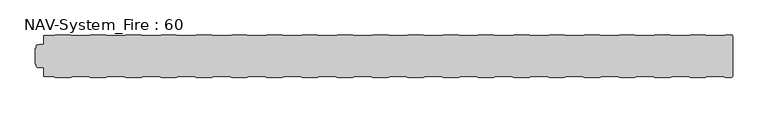
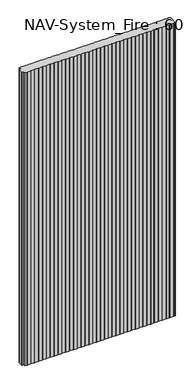
"""IFC4 building model written with IfcOpenShell, lengths in millimetres: plate geometry, NAV-System_Fire : 60."""

from ifc_helpers import new_model, si_unit, frame, origin, place, context, project, spatial, circle_curve, source, transform, mapped, element, save
from ifc_brep_helpers import plane_surface, cylinder_surface, advanced_brep


def nav_system_fire_60_26483173(model_context):
    return source(origin(), model_context, "Body", "AdvancedBrep", [
        advanced_brep(
        [(489.3798221, -0.8, 2000.0), (486.3798221, -1.8, 2000.0), (464.1201779, -1.8, 2000.0), (461.1201779, -0.8, 2000.0), (439.3798221, -0.8, 2000.0), (436.3798221, -1.8, 2000.0), (414.1201779, -1.8, 2000.0), (411.1201779, -0.8, 2000.0), (389.3798221, -0.8, 2000.0), (386.3798221, -1.8, 2000.0), (364.1201779, -1.8, 2000.0), (361.1201779, -0.8, 2000.0), (339.3798221, -0.8, 2000.0), (336.3798221, -1.8, 2000.0), (314.1201779, -1.8, 2000.0), (311.1201779, -0.8, 2000.0), (289.3798221, -0.8, 2000.0), (286.3798221, -1.8, 2000.0), (264.1201779, -1.8, 2000.0), (261.1201779, -0.8, 2000.0), (239.3798221, -0.8, 2000.0), (236.3798221, -1.8, 2000.0), (214.1201779, -1.8, 2000.0), (211.1201779, -0.8, 2000.0), (189.3798221, -0.8, 2000.0), (186.3798221, -1.8, 2000.0), (164.1201779, -1.8, 2000.0), (161.1201779, -0.8, 2000.0), (139.3798221, -0.8, 2000.0), (136.3798221, -1.8, 2000.0), (114.1201779, -1.8, 2000.0), (111.1201779, -0.8, 2000.0), (89.3798221, -0.8, 2000.0), (86.3798221, -1.8, 2000.0), (64.1201779, -1.8, 2000.0), (61.1201779, -0.8, 2000.0), (39.3798221, -0.8, 2000.0), (36.3798221, -1.8, 2000.0), (14.1201779, -1.8, 2000.0), (11.1201779, -0.8, 2000.0), (-10.6201779, -0.8, 2000.0), (-13.6201779, -1.8, 2000.0), (-35.8798221, -1.8, 2000.0), (-38.8798221, -0.8, 2000.0), (-60.6201779, -0.8, 2000.0), (-63.6201779, -1.8, 2000.0), (-85.8798221, -1.8, 2000.0), (-88.8798221, -0.8, 2000.0), (-110.6201779, -0.8, 2000.0), (-113.6201779, -1.8, 2000.0), (-135.8798221, -1.8, 2000.0), (-138.8798221, -0.8, 2000.0), (-160.6201779, -0.8, 2000.0), (-163.6201779, -1.8, 2000.0), (-185.8798221, -1.8, 2000.0), (-188.8798221, -0.8, 2000.0), (-210.6201779, -0.8, 2000.0), (-213.6201779, -1.8, 2000.0), (-235.8798221, -1.8, 2000.0), (-238.8798221, -0.8, 2000.0), (-260.6201779, -0.8, 2000.0), (-263.6201779, -1.8, 2000.0), (-285.8798221, -1.8, 2000.0), (-288.8798221, -0.8, 2000.0), (-310.6201779, -0.8, 2000.0), (-313.6201779, -1.8, 2000.0), (-335.8798221, -1.8, 2000.0), (-338.8798221, -0.8, 2000.0), (-360.6201779, -0.8, 2000.0), (-363.6201779, -1.8, 2000.0), (-385.8798221, -1.8, 2000.0), (-388.8798221, -0.8, 2000.0), (-410.6201779, -0.8, 2000.0), (-413.6201779, -1.8, 2000.0), (-435.8798221, -1.8, 2000.0), (-438.8798221, -0.8, 2000.0), (-460.6201779, -0.8, 2000.0), (-463.6201779, -1.8, 2000.0), (-476.9102086, -1.8, 2000.0), (-476.9102086, -14.4343223, 2000.0), (-483.4274784, -14.4343223, 2000.0), (-485.8625665, -14.8636942, 2000.0), (-487.3500004, -16.636349, 2000.0), (-487.3500004, -19.9487816, 2000.0), (-488.9002227, -19.9487816, 2000.0), (-488.9002227, -41.6487997, 2000.0), (-487.3500014, -41.6487997, 2000.0), (-487.3500014, -44.963651, 2000.0), (-485.8625665, -46.7363054, 2000.0), (-483.4274762, -47.1656777, 2000.0), (-476.9102086, -47.1656777, 2000.0), (-476.9102086, -59.8, 2000.0), (-463.6201779, -59.8, 2000.0), (-460.6201779, -60.8, 2000.0), (-438.8798221, -60.8, 2000.0), (-435.8798221, -59.8, 2000.0), (-413.6201779, -59.8, 2000.0), (-410.6201779, -60.8, 2000.0), (-388.8798221, -60.8, 2000.0), (-385.8798221, -59.8, 2000.0), (-363.6201779, -59.8, 2000.0), (-360.6201779, -60.8, 2000.0), (-338.8798221, -60.8, 2000.0), (-335.8798221, -59.8, 2000.0), (-313.6201779, -59.8, 2000.0), (-310.6201779, -60.8, 2000.0), (-288.8798221, -60.8, 2000.0), (-285.8798221, -59.8, 2000.0), (-263.6201779, -59.8, 2000.0), (-260.6201779, -60.8, 2000.0), (-238.8798221, -60.8, 2000.0), (-235.8798221, -59.8, 2000.0), (-213.6201779, -59.8, 2000.0), (-210.6201779, -60.8, 2000.0), (-188.8798221, -60.8, 2000.0), (-185.8798221, -59.8, 2000.0), (-163.6201779, -59.8, 2000.0), (-160.6201779, -60.8, 2000.0), (-138.8798221, -60.8, 2000.0), (-135.8798221, -59.8, 2000.0), (-113.6201779, -59.8, 2000.0), (-110.6201779, -60.8, 2000.0), (-88.8798221, -60.8, 2000.0), (-85.8798221, -59.8, 2000.0), (-63.6201779, -59.8, 2000.0), (-60.6201779, -60.8, 2000.0), (-38.8798221, -60.8, 2000.0), (-35.8798221, -59.8, 2000.0), (-13.6201779, -59.8, 2000.0), (-10.6201779, -60.8, 2000.0), (11.1201779, -60.8, 2000.0), (14.1201779, -59.8, 2000.0), (36.3798221, -59.8, 2000.0), (39.3798221, -60.8, 2000.0), (61.1201779, -60.8, 2000.0), (64.1201779, -59.8, 2000.0), (86.3798221, -59.8, 2000.0), (89.3798221, -60.8, 2000.0), (111.1201779, -60.8, 2000.0), (114.1201779, -59.8, 2000.0), (136.3798221, -59.8, 2000.0), (139.3798221, -60.8, 2000.0), (161.1201779, -60.8, 2000.0), (164.1201779, -59.8, 2000.0), (186.3798221, -59.8, 2000.0), (189.3798221, -60.8, 2000.0), (211.1201779, -60.8, 2000.0), (214.1201779, -59.8, 2000.0), (236.3798221, -59.8, 2000.0), (239.3798221, -60.8, 2000.0), (261.1201779, -60.8, 2000.0), (264.1201779, -59.8, 2000.0), (286.3798221, -59.8, 2000.0), (289.3798221, -60.8, 2000.0), (311.1201779, -60.8, 2000.0), (314.1201779, -59.8, 2000.0), (336.3798221, -59.8, 2000.0), (339.3798221, -60.8, 2000.0), (361.1201779, -60.8, 2000.0), (364.1201779, -59.8, 2000.0), (386.3798221, -59.8, 2000.0), (389.3798221, -60.8, 2000.0), (411.1201779, -60.8, 2000.0), (414.1201779, -59.8, 2000.0), (436.3798221, -59.8, 2000.0), (439.3798221, -60.8, 2000.0), (461.1201779, -60.8, 2000.0), (464.1201779, -59.8, 2000.0), (486.3798221, -59.8, 2000.0), (489.3798221, -60.8, 2000.0), (498.2500017, -60.8, 2000.0), (499.4471561, -59.6825886, 2000.0), (499.4471561, -55.3999876, 2000.0), (499.75, -55.3999876, 2000.0), (499.75, -6.2000131, 2000.0), (499.4471561, -6.2000131, 2000.0), (499.4471561, -1.9174088, 2000.0), (498.2500017, -0.8, 2000.0), (489.3798221, -0.8, 0.0), (498.2500017, -0.8, 0.0), (499.4471561, -1.9174088, 0.0), (499.4471561, -6.2000131, 0.0), (499.75, -6.2000131, 0.0), (499.75, -55.3999876, 0.0), (499.4471561, -55.3999876, 0.0), (499.4471561, -59.6825886, 0.0), (498.2500017, -60.8, 0.0), (489.3798221, -60.8, 0.0), (486.3798221, -59.8, 0.0), (464.1201779, -59.8, 0.0), (461.1201779, -60.8, 0.0), (439.3798221, -60.8, 0.0), (436.3798221, -59.8, 0.0), (414.1201779, -59.8, 0.0), (411.1201779, -60.8, 0.0), (389.3798221, -60.8, 0.0), (386.3798221, -59.8, 0.0), (364.1201779, -59.8, 0.0), (361.1201779, -60.8, 0.0), (339.3798221, -60.8, 0.0), (336.3798221, -59.8, 0.0), (314.1201779, -59.8, 0.0), (311.1201779, -60.8, 0.0), (289.3798221, -60.8, 0.0), (286.3798221, -59.8, 0.0), (264.1201779, -59.8, 0.0), (261.1201779, -60.8, 0.0), (239.3798221, -60.8, 0.0), (236.3798221, -59.8, 0.0), (214.1201779, -59.8, 0.0), (211.1201779, -60.8, 0.0), (189.3798221, -60.8, 0.0), (186.3798221, -59.8, 0.0), (164.1201779, -59.8, 0.0), (161.1201779, -60.8, 0.0), (139.3798221, -60.8, 0.0), (136.3798221, -59.8, 0.0), (114.1201779, -59.8, 0.0), (111.1201779, -60.8, 0.0), (89.3798221, -60.8, 0.0), (86.3798221, -59.8, 0.0), (64.1201779, -59.8, 0.0), (61.1201779, -60.8, 0.0), (39.3798221, -60.8, 0.0), (36.3798221, -59.8, 0.0), (14.1201779, -59.8, 0.0), (11.1201779, -60.8, 0.0), (-10.6201779, -60.8, 0.0), (-13.6201779, -59.8, 0.0), (-35.8798221, -59.8, 0.0), (-38.8798221, -60.8, 0.0), (-60.6201779, -60.8, 0.0), (-63.6201779, -59.8, 0.0), (-85.8798221, -59.8, 0.0), (-88.8798221, -60.8, 0.0), (-110.6201779, -60.8, 0.0), (-113.6201779, -59.8, 0.0), (-135.8798221, -59.8, 0.0), (-138.8798221, -60.8, 0.0), (-160.6201779, -60.8, 0.0), (-163.6201779, -59.8, 0.0), (-185.8798221, -59.8, 0.0), (-188.8798221, -60.8, 0.0), (-210.6201779, -60.8, 0.0), (-213.6201779, -59.8, 0.0), (-235.8798221, -59.8, 0.0), (-238.8798221, -60.8, 0.0), (-260.6201779, -60.8, 0.0), (-263.6201779, -59.8, 0.0), (-285.8798221, -59.8, 0.0), (-288.8798221, -60.8, 0.0), (-310.6201779, -60.8, 0.0), (-313.6201779, -59.8, 0.0), (-335.8798221, -59.8, 0.0), (-338.8798221, -60.8, 0.0), (-360.6201779, -60.8, 0.0), (-363.6201779, -59.8, 0.0), (-385.8798221, -59.8, 0.0), (-388.8798221, -60.8, 0.0), (-410.6201779, -60.8, 0.0), (-413.6201779, -59.8, 0.0), (-435.8798221, -59.8, 0.0), (-438.8798221, -60.8, 0.0), (-460.6201779, -60.8, 0.0), (-463.6201779, -59.8, 0.0), (-476.9102086, -59.8, 0.0), (-476.9102086, -47.1656777, 0.0), (-483.4274762, -47.1656777, 0.0), (-485.8625665, -46.7363054, 0.0), (-487.3500004, -44.963651, 0.0), (-487.3500014, -41.6487997, 0.0), (-488.9002227, -41.6487997, 0.0), (-488.9002227, -19.9487816, 0.0), (-487.3500004, -19.9487816, 0.0), (-487.3500004, -16.636349, 0.0), (-485.8625665, -14.8636942, 0.0), (-483.4274784, -14.4343223, 0.0), (-476.9102086, -14.4343223, 0.0), (-476.9102086, -1.8, 0.0), (-463.6201779, -1.8, 0.0), (-460.6201779, -0.8, 0.0), (-438.8798221, -0.8, 0.0), (-435.8798221, -1.8, 0.0), (-413.6201779, -1.8, 0.0), (-410.6201779, -0.8, 0.0), (-388.8798221, -0.8, 0.0), (-385.8798221, -1.8, 0.0), (-363.6201779, -1.8, 0.0), (-360.6201779, -0.8, 0.0), (-338.8798221, -0.8, 0.0), (-335.8798221, -1.8, 0.0), (-313.6201779, -1.8, 0.0), (-310.6201779, -0.8, 0.0), (-288.8798221, -0.8, 0.0), (-285.8798221, -1.8, 0.0), (-263.6201779, -1.8, 0.0), (-260.6201779, -0.8, 0.0), (-238.8798221, -0.8, 0.0), (-235.8798221, -1.8, 0.0), (-213.6201779, -1.8, 0.0), (-210.6201779, -0.8, 0.0), (-188.8798221, -0.8, 0.0), (-185.8798221, -1.8, 0.0), (-163.6201779, -1.8, 0.0), (-160.6201779, -0.8, 0.0), (-138.8798221, -0.8, 0.0), (-135.8798221, -1.8, 0.0), (-113.6201779, -1.8, 0.0), (-110.6201779, -0.8, 0.0), (-88.8798221, -0.8, 0.0), (-85.8798221, -1.8, 0.0), (-63.6201779, -1.8, 0.0), (-60.6201779, -0.8, 0.0), (-38.8798221, -0.8, 0.0), (-35.8798221, -1.8, 0.0), (-13.6201779, -1.8, 0.0), (-10.6201779, -0.8, 0.0), (11.1201779, -0.8, 0.0), (14.1201779, -1.8, 0.0), (36.3798221, -1.8, 0.0), (39.3798221, -0.8, 0.0), (61.1201779, -0.8, 0.0), (64.1201779, -1.8, 0.0), (86.3798221, -1.8, 0.0), (89.3798221, -0.8, 0.0), (111.1201779, -0.8, 0.0), (114.1201779, -1.8, 0.0), (136.3798221, -1.8, 0.0), (139.3798221, -0.8, 0.0), (161.1201779, -0.8, 0.0), (164.1201779, -1.8, 0.0), (186.3798221, -1.8, 0.0), (189.3798221, -0.8, 0.0), (211.1201779, -0.8, 0.0), (214.1201779, -1.8, 0.0), (236.3798221, -1.8, 0.0), (239.3798221, -0.8, 0.0), (261.1201779, -0.8, 0.0), (264.1201779, -1.8, 0.0), (286.3798221, -1.8, 0.0), (289.3798221, -0.8, 0.0), (311.1201779, -0.8, 0.0), (314.1201779, -1.8, 0.0), (336.3798221, -1.8, 0.0), (339.3798221, -0.8, 0.0), (361.1201779, -0.8, 0.0), (364.1201779, -1.8, 0.0), (386.3798221, -1.8, 0.0), (389.3798221, -0.8, 0.0), (411.1201779, -0.8, 0.0), (414.1201779, -1.8, 0.0), (436.3798221, -1.8, 0.0), (439.3798221, -0.8, 0.0), (461.1201779, -0.8, 0.0), (464.1201779, -1.8, 0.0), (486.3798221, -1.8, 0.0)],
        [
            (0, 1),
            (1, 2),
            (2, 3),
            (3, 4),
            (4, 5),
            (5, 6),
            (6, 7),
            (7, 8),
            (8, 9),
            (9, 10),
            (10, 11),
            (11, 12),
            (12, 13),
            (13, 14),
            (14, 15),
            (15, 16),
            (16, 17),
            (17, 18),
            (18, 19),
            (19, 20),
            (20, 21),
            (21, 22),
            (22, 23),
            (23, 24),
            (24, 25),
            (25, 26),
            (26, 27),
            (27, 28),
            (28, 29),
            (29, 30),
            (30, 31),
            (31, 32),
            (32, 33),
            (33, 34),
            (34, 35),
            (35, 36),
            (36, 37),
            (37, 38),
            (38, 39),
            (39, 40),
            (40, 41),
            (41, 42),
            (42, 43),
            (43, 44),
            (44, 45),
            (45, 46),
            (46, 47),
            (47, 48),
            (48, 49),
            (49, 50),
            (50, 51),
            (51, 52),
            (52, 53),
            (53, 54),
            (54, 55),
            (55, 56),
            (56, 57),
            (57, 58),
            (58, 59),
            (59, 60),
            (60, 61),
            (61, 62),
            (62, 63),
            (63, 64),
            (64, 65),
            (65, 66),
            (66, 67),
            (67, 68),
            (68, 69),
            (69, 70),
            (70, 71),
            (71, 72),
            (72, 73),
            (73, 74),
            (74, 75),
            (75, 76),
            (76, 77),
            (77, 78),
            (78, 79),
            (79, 80),
            (80, 81),
            (81, 82, circle_curve(frame((-485.5499995, -16.636349, 2000.0), z_axis=(0.0, 0.0, 1.0), x_axis=(1.0, 0.0, 0.0)), 1.8000009)),
            (82, 83),
            (83, 84),
            (84, 85),
            (85, 86),
            (86, 87),
            (87, 88, circle_curve(frame((-485.5499995, -44.9636506, 2000.0), z_axis=(0.0, 0.0, 1.0), x_axis=(1.0, 0.0, 0.0)), 1.8000009)),
            (88, 89),
            (89, 90),
            (90, 91),
            (91, 92),
            (92, 93),
            (93, 94),
            (94, 95),
            (95, 96),
            (96, 97),
            (97, 98),
            (98, 99),
            (99, 100),
            (100, 101),
            (101, 102),
            (102, 103),
            (103, 104),
            (104, 105),
            (105, 106),
            (106, 107),
            (107, 108),
            (108, 109),
            (109, 110),
            (110, 111),
            (111, 112),
            (112, 113),
            (113, 114),
            (114, 115),
            (115, 116),
            (116, 117),
            (117, 118),
            (118, 119),
            (119, 120),
            (120, 121),
            (121, 122),
            (122, 123),
            (123, 124),
            (124, 125),
            (125, 126),
            (126, 127),
            (127, 128),
            (128, 129),
            (129, 130),
            (130, 131),
            (131, 132),
            (132, 133),
            (133, 134),
            (134, 135),
            (135, 136),
            (136, 137),
            (137, 138),
            (138, 139),
            (139, 140),
            (140, 141),
            (141, 142),
            (142, 143),
            (143, 144),
            (144, 145),
            (145, 146),
            (146, 147),
            (147, 148),
            (148, 149),
            (149, 150),
            (150, 151),
            (151, 152),
            (152, 153),
            (153, 154),
            (154, 155),
            (155, 156),
            (156, 157),
            (157, 158),
            (158, 159),
            (159, 160),
            (160, 161),
            (161, 162),
            (162, 163),
            (163, 164),
            (164, 165),
            (165, 166),
            (166, 167),
            (167, 168),
            (168, 169),
            (169, 170),
            (170, 171, circle_curve(frame((498.2500017, -59.6000001, 2000.0), z_axis=(0.0, 0.0, 1.0), x_axis=(1.0, 0.0, 0.0)), 1.1999999)),
            (171, 172),
            (172, 173),
            (173, 174),
            (174, 175),
            (175, 176),
            (176, 177, circle_curve(frame((498.2500017, -2.0, 2000.0), z_axis=(0.0, 0.0, 1.0), x_axis=(1.0, 0.0, 0.0)), 1.2)),
            (177, 0),
            (178, 179),
            (179, 180, circle_curve(frame((498.2500017, -2.0, 0.0), z_axis=(0.0, 0.0, -1.0), x_axis=(1.0, 0.0, 0.0)), 1.2)),
            (180, 181),
            (181, 182),
            (182, 183),
            (183, 184),
            (184, 185),
            (185, 186, circle_curve(frame((498.2500017, -59.6000001, 0.0), z_axis=(0.0, 0.0, -1.0), x_axis=(1.0, 0.0, 0.0)), 1.1999999)),
            (186, 187),
            (187, 188),
            (188, 189),
            (189, 190),
            (190, 191),
            (191, 192),
            (192, 193),
            (193, 194),
            (194, 195),
            (195, 196),
            (196, 197),
            (197, 198),
            (198, 199),
            (199, 200),
            (200, 201),
            (201, 202),
            (202, 203),
            (203, 204),
            (204, 205),
            (205, 206),
            (206, 207),
            (207, 208),
            (208, 209),
            (209, 210),
            (210, 211),
            (211, 212),
            (212, 213),
            (213, 214),
            (214, 215),
            (215, 216),
            (216, 217),
            (217, 218),
            (218, 219),
            (219, 220),
            (220, 221),
            (221, 222),
            (222, 223),
            (223, 224),
            (224, 225),
            (225, 226),
            (226, 227),
            (227, 228),
            (228, 229),
            (229, 230),
            (230, 231),
            (231, 232),
            (232, 233),
            (233, 234),
            (234, 235),
            (235, 236),
            (236, 237),
            (237, 238),
            (238, 239),
            (239, 240),
            (240, 241),
            (241, 242),
            (242, 243),
            (243, 244),
            (244, 245),
            (245, 246),
            (246, 247),
            (247, 248),
            (248, 249),
            (249, 250),
            (250, 251),
            (251, 252),
            (252, 253),
            (253, 254),
            (254, 255),
            (255, 256),
            (256, 257),
            (257, 258),
            (258, 259),
            (259, 260),
            (260, 261),
            (261, 262),
            (262, 263),
            (263, 264),
            (264, 265),
            (265, 266),
            (266, 267),
            (267, 268),
            (268, 269, circle_curve(frame((-485.5499995, -44.9636506, 0.0), z_axis=(0.0, 0.0, -1.0), x_axis=(1.0, 0.0, 0.0)), 1.8000009)),
            (269, 270),
            (270, 271),
            (271, 272),
            (272, 273),
            (273, 274),
            (274, 275, circle_curve(frame((-485.5499995, -16.636349, 0.0), z_axis=(0.0, 0.0, -1.0), x_axis=(1.0, 0.0, 0.0)), 1.8000009)),
            (275, 276),
            (276, 277),
            (277, 278),
            (278, 279),
            (279, 280),
            (280, 281),
            (281, 282),
            (282, 283),
            (283, 284),
            (284, 285),
            (285, 286),
            (286, 287),
            (287, 288),
            (288, 289),
            (289, 290),
            (290, 291),
            (291, 292),
            (292, 293),
            (293, 294),
            (294, 295),
            (295, 296),
            (296, 297),
            (297, 298),
            (298, 299),
            (299, 300),
            (300, 301),
            (301, 302),
            (302, 303),
            (303, 304),
            (304, 305),
            (305, 306),
            (306, 307),
            (307, 308),
            (308, 309),
            (309, 310),
            (310, 311),
            (311, 312),
            (312, 313),
            (313, 314),
            (314, 315),
            (315, 316),
            (316, 317),
            (317, 318),
            (318, 319),
            (319, 320),
            (320, 321),
            (321, 322),
            (322, 323),
            (323, 324),
            (324, 325),
            (325, 326),
            (326, 327),
            (327, 328),
            (328, 329),
            (329, 330),
            (330, 331),
            (331, 332),
            (332, 333),
            (333, 334),
            (334, 335),
            (335, 336),
            (336, 337),
            (337, 338),
            (338, 339),
            (339, 340),
            (340, 341),
            (341, 342),
            (342, 343),
            (343, 344),
            (344, 345),
            (345, 346),
            (346, 347),
            (347, 348),
            (348, 349),
            (349, 350),
            (350, 351),
            (351, 352),
            (352, 353),
            (353, 354),
            (354, 355),
            (355, 178),
            (177, 179),
            (178, 0),
            (355, 1),
            (354, 2),
            (353, 3),
            (352, 4),
            (351, 5),
            (350, 6),
            (349, 7),
            (348, 8),
            (347, 9),
            (346, 10),
            (345, 11),
            (344, 12),
            (343, 13),
            (342, 14),
            (341, 15),
            (340, 16),
            (339, 17),
            (338, 18),
            (337, 19),
            (336, 20),
            (335, 21),
            (334, 22),
            (333, 23),
            (332, 24),
            (331, 25),
            (330, 26),
            (329, 27),
            (328, 28),
            (327, 29),
            (326, 30),
            (325, 31),
            (324, 32),
            (323, 33),
            (322, 34),
            (321, 35),
            (320, 36),
            (319, 37),
            (318, 38),
            (317, 39),
            (316, 40),
            (315, 41),
            (314, 42),
            (313, 43),
            (312, 44),
            (311, 45),
            (310, 46),
            (309, 47),
            (308, 48),
            (307, 49),
            (306, 50),
            (305, 51),
            (304, 52),
            (303, 53),
            (302, 54),
            (301, 55),
            (300, 56),
            (299, 57),
            (298, 58),
            (297, 59),
            (296, 60),
            (295, 61),
            (294, 62),
            (293, 63),
            (292, 64),
            (291, 65),
            (290, 66),
            (289, 67),
            (288, 68),
            (287, 69),
            (286, 70),
            (285, 71),
            (284, 72),
            (283, 73),
            (282, 74),
            (281, 75),
            (280, 76),
            (279, 77),
            (278, 78),
            (91, 265),
            (264, 92),
            (263, 93),
            (262, 94),
            (261, 95),
            (260, 96),
            (259, 97),
            (258, 98),
            (257, 99),
            (256, 100),
            (255, 101),
            (254, 102),
            (253, 103),
            (252, 104),
            (251, 105),
            (250, 106),
            (249, 107),
            (248, 108),
            (247, 109),
            (246, 110),
            (245, 111),
            (244, 112),
            (243, 113),
            (242, 114),
            (241, 115),
            (240, 116),
            (239, 117),
            (238, 118),
            (237, 119),
            (236, 120),
            (235, 121),
            (234, 122),
            (233, 123),
            (232, 124),
            (231, 125),
            (230, 126),
            (229, 127),
            (228, 128),
            (227, 129),
            (226, 130),
            (225, 131),
            (224, 132),
            (223, 133),
            (222, 134),
            (221, 135),
            (220, 136),
            (219, 137),
            (218, 138),
            (217, 139),
            (216, 140),
            (215, 141),
            (214, 142),
            (213, 143),
            (212, 144),
            (211, 145),
            (210, 146),
            (209, 147),
            (208, 148),
            (207, 149),
            (206, 150),
            (205, 151),
            (204, 152),
            (203, 153),
            (202, 154),
            (201, 155),
            (200, 156),
            (199, 157),
            (198, 158),
            (197, 159),
            (196, 160),
            (195, 161),
            (194, 162),
            (193, 163),
            (192, 164),
            (191, 165),
            (190, 166),
            (189, 167),
            (188, 168),
            (187, 169),
            (186, 170),
            (277, 79),
            (276, 80),
            (82, 274),
            (273, 83),
            (272, 84),
            (271, 85),
            (89, 267),
            (266, 90),
            (185, 171),
            (184, 172),
            (183, 173),
            (181, 175),
            (174, 182),
            (180, 176),
            (275, 81),
            (270, 86),
            (269, 87),
            (268, 88),
        ],
        [
            plane_surface(frame((-499.75, 0.0, 2000.0), z_axis=(0.0, 0.0, 1.0), x_axis=(0.0, -1.0, 0.0))),
            plane_surface(frame((-499.75, 0.0, 0.0), z_axis=(0.0, 0.0, -1.0), x_axis=(0.0, -1.0, 0.0))),
            plane_surface(frame((498.2500017, -0.8, 2000.0), z_axis=(0.0, 1.0, 0.0), x_axis=(0.0, 0.0, -1.0))),
            plane_surface(frame((489.3798221, -0.8, 2000.0), z_axis=(-0.31622776601669594, 0.9486832980505612, 0.0), x_axis=(0.0, 0.0, -1.0))),
            plane_surface(frame((486.3798221, -1.8, 2000.0), z_axis=(0.0, 1.0, 0.0), x_axis=(0.0, 0.0, -1.0))),
            plane_surface(frame((464.1201779, -1.8, 2000.0), z_axis=(0.3162277660168045, 0.948683298050525, 0.0), x_axis=(0.0, 0.0, -1.0))),
            plane_surface(frame((461.1201779, -0.8, 2000.0), z_axis=(0.0, 1.0, 0.0), x_axis=(0.0, 0.0, -1.0))),
            plane_surface(frame((439.3798221, -0.8, 2000.0), z_axis=(-0.3162277660167413, 0.9486832980505461, 0.0), x_axis=(0.0, 0.0, -1.0))),
            plane_surface(frame((436.3798221, -1.8, 2000.0), z_axis=(0.0, 1.0, 0.0), x_axis=(0.0, 0.0, -1.0))),
            plane_surface(frame((414.1201779, -1.8, 2000.0), z_axis=(0.31622776601675356, 0.948683298050542, 0.0), x_axis=(0.0, 0.0, -1.0))),
            plane_surface(frame((411.1201779, -0.8, 2000.0), z_axis=(0.0, 1.0, 0.0), x_axis=(0.0, 0.0, -1.0))),
            plane_surface(frame((389.3798221, -0.8, 2000.0), z_axis=(-0.31622776601679226, 0.9486832980505291, 0.0), x_axis=(0.0, 0.0, -1.0))),
            plane_surface(frame((386.3798221, -1.8, 2000.0), z_axis=(0.0, 1.0, 0.0), x_axis=(0.0, 0.0, -1.0))),
            plane_surface(frame((364.1201779, -1.8, 2000.0), z_axis=(0.3162277660168045, 0.948683298050525, 0.0), x_axis=(0.0, 0.0, -1.0))),
            plane_surface(frame((361.1201779, -0.8, 2000.0), z_axis=(0.0, 1.0, 0.0), x_axis=(0.0, 0.0, -1.0))),
            plane_surface(frame((339.3798221, -0.8, 2000.0), z_axis=(-0.3162277660167413, 0.9486832980505461, 0.0), x_axis=(0.0, 0.0, -1.0))),
            plane_surface(frame((336.3798221, -1.8, 2000.0), z_axis=(0.0, 1.0, 0.0), x_axis=(0.0, 0.0, -1.0))),
            plane_surface(frame((314.1201779, -1.8, 2000.0), z_axis=(0.31622776601675356, 0.948683298050542, 0.0), x_axis=(0.0, 0.0, -1.0))),
            plane_surface(frame((311.1201779, -0.8, 2000.0), z_axis=(0.0, 1.0, 0.0), x_axis=(0.0, 0.0, -1.0))),
            plane_surface(frame((289.3798221, -0.8, 2000.0), z_axis=(-0.31622776601679226, 0.9486832980505291, 0.0), x_axis=(0.0, 0.0, -1.0))),
            plane_surface(frame((286.3798221, -1.8, 2000.0), z_axis=(0.0, 1.0, 0.0), x_axis=(0.0, 0.0, -1.0))),
            plane_surface(frame((264.1201779, -1.8, 2000.0), z_axis=(0.3162277660168045, 0.948683298050525, 0.0), x_axis=(0.0, 0.0, -1.0))),
            plane_surface(frame((261.1201779, -0.8, 2000.0), z_axis=(0.0, 1.0, 0.0), x_axis=(0.0, 0.0, -1.0))),
            plane_surface(frame((239.3798221, -0.8, 2000.0), z_axis=(-0.3162277660167413, 0.9486832980505461, 0.0), x_axis=(0.0, 0.0, -1.0))),
            plane_surface(frame((236.3798221, -1.8, 2000.0), z_axis=(0.0, 1.0, 0.0), x_axis=(0.0, 0.0, -1.0))),
            plane_surface(frame((214.1201779, -1.8, 2000.0), z_axis=(0.31622776601675356, 0.948683298050542, 0.0), x_axis=(0.0, 0.0, -1.0))),
            plane_surface(frame((211.1201779, -0.8, 2000.0), z_axis=(0.0, 1.0, 0.0), x_axis=(0.0, 0.0, -1.0))),
            plane_surface(frame((189.3798221, -0.8, 2000.0), z_axis=(-0.31622776601679226, 0.9486832980505291, 0.0), x_axis=(0.0, 0.0, -1.0))),
            plane_surface(frame((186.3798221, -1.8, 2000.0), z_axis=(0.0, 1.0, 0.0), x_axis=(0.0, 0.0, -1.0))),
            plane_surface(frame((164.1201779, -1.8, 2000.0), z_axis=(0.3162277660168045, 0.948683298050525, 0.0), x_axis=(0.0, 0.0, -1.0))),
            plane_surface(frame((161.1201779, -0.8, 2000.0), z_axis=(0.0, 1.0, 0.0), x_axis=(0.0, 0.0, -1.0))),
            plane_surface(frame((139.3798221, -0.8, 2000.0), z_axis=(-0.3162277660167413, 0.9486832980505461, 0.0), x_axis=(0.0, 0.0, -1.0))),
            plane_surface(frame((136.3798221, -1.8, 2000.0), z_axis=(0.0, 1.0, 0.0), x_axis=(0.0, 0.0, -1.0))),
            plane_surface(frame((114.1201779, -1.8, 2000.0), z_axis=(0.31622776601675356, 0.948683298050542, 0.0), x_axis=(0.0, 0.0, -1.0))),
            plane_surface(frame((111.1201779, -0.8, 2000.0), z_axis=(0.0, 1.0, 0.0), x_axis=(0.0, 0.0, -1.0))),
            plane_surface(frame((89.3798221, -0.8, 2000.0), z_axis=(-0.3162277660167413, 0.9486832980505461, 0.0), x_axis=(0.0, 0.0, -1.0))),
            plane_surface(frame((86.3798221, -1.8, 2000.0), z_axis=(0.0, 1.0, 0.0), x_axis=(0.0, 0.0, -1.0))),
            plane_surface(frame((64.1201779, -1.8, 2000.0), z_axis=(0.31622776601675356, 0.948683298050542, 0.0), x_axis=(0.0, 0.0, -1.0))),
            plane_surface(frame((61.1201779, -0.8, 2000.0), z_axis=(0.0, 1.0, 0.0), x_axis=(0.0, 0.0, -1.0))),
            plane_surface(frame((39.3798221, -0.8, 2000.0), z_axis=(-0.31622776601679226, 0.9486832980505291, 0.0), x_axis=(0.0, 0.0, -1.0))),
            plane_surface(frame((36.3798221, -1.8, 2000.0), z_axis=(0.0, 1.0, 0.0), x_axis=(0.0, 0.0, -1.0))),
            plane_surface(frame((14.1201779, -1.8, 2000.0), z_axis=(0.3162277660168045, 0.948683298050525, 0.0), x_axis=(0.0, 0.0, -1.0))),
            plane_surface(frame((11.1201779, -0.8, 2000.0), z_axis=(0.0, 1.0, 0.0), x_axis=(0.0, 0.0, -1.0))),
            plane_surface(frame((-10.6201779, -0.8, 2000.0), z_axis=(-0.3162277660167413, 0.9486832980505461, 0.0), x_axis=(0.0, 0.0, -1.0))),
            plane_surface(frame((-13.6201779, -1.8, 2000.0), z_axis=(0.0, 1.0, 0.0), x_axis=(0.0, 0.0, -1.0))),
            plane_surface(frame((-35.8798221, -1.8, 2000.0), z_axis=(0.31622776601675356, 0.948683298050542, 0.0), x_axis=(0.0, 0.0, -1.0))),
            plane_surface(frame((-38.8798221, -0.8, 2000.0), z_axis=(0.0, 1.0, 0.0), x_axis=(0.0, 0.0, -1.0))),
            plane_surface(frame((-60.6201779, -0.8, 2000.0), z_axis=(-0.31622776601679226, 0.9486832980505291, 0.0), x_axis=(0.0, 0.0, -1.0))),
            plane_surface(frame((-63.6201779, -1.8, 2000.0), z_axis=(0.0, 1.0, 0.0), x_axis=(0.0, 0.0, -1.0))),
            plane_surface(frame((-85.8798221, -1.8, 2000.0), z_axis=(0.3162277660168045, 0.948683298050525, 0.0), x_axis=(0.0, 0.0, -1.0))),
            plane_surface(frame((-88.8798221, -0.8, 2000.0), z_axis=(0.0, 1.0, 0.0), x_axis=(0.0, 0.0, -1.0))),
            plane_surface(frame((-110.6201779, -0.8, 2000.0), z_axis=(-0.3162277660167413, 0.9486832980505461, 0.0), x_axis=(0.0, 0.0, -1.0))),
            plane_surface(frame((-113.6201779, -1.8, 2000.0), z_axis=(0.0, 1.0, 0.0), x_axis=(0.0, 0.0, -1.0))),
            plane_surface(frame((-135.8798221, -1.8, 2000.0), z_axis=(0.31622776601675356, 0.948683298050542, 0.0), x_axis=(0.0, 0.0, -1.0))),
            plane_surface(frame((-138.8798221, -0.8, 2000.0), z_axis=(0.0, 1.0, 0.0), x_axis=(0.0, 0.0, -1.0))),
            plane_surface(frame((-160.6201779, -0.8, 2000.0), z_axis=(-0.31622776601679226, 0.9486832980505291, 0.0), x_axis=(0.0, 0.0, -1.0))),
            plane_surface(frame((-163.6201779, -1.8, 2000.0), z_axis=(0.0, 1.0, 0.0), x_axis=(0.0, 0.0, -1.0))),
            plane_surface(frame((-185.8798221, -1.8, 2000.0), z_axis=(0.3162277660168056, 0.9486832980505246, 0.0), x_axis=(0.0, 0.0, -1.0))),
            plane_surface(frame((-188.8798221, -0.8, 2000.0), z_axis=(0.0, 1.0, 0.0), x_axis=(0.0, 0.0, -1.0))),
            plane_surface(frame((-210.6201779, -0.8, 2000.0), z_axis=(-0.3162277660167413, 0.9486832980505461, 0.0), x_axis=(0.0, 0.0, -1.0))),
            plane_surface(frame((-213.6201779, -1.8, 2000.0), z_axis=(0.0, 1.0, 0.0), x_axis=(0.0, 0.0, -1.0))),
            plane_surface(frame((-235.8798221, -1.8, 2000.0), z_axis=(0.31622776601675356, 0.948683298050542, 0.0), x_axis=(0.0, 0.0, -1.0))),
            plane_surface(frame((-238.8798221, -0.8, 2000.0), z_axis=(0.0, 1.0, 0.0), x_axis=(0.0, 0.0, -1.0))),
            plane_surface(frame((-260.6201779, -0.8, 2000.0), z_axis=(-0.31622776601679226, 0.9486832980505291, 0.0), x_axis=(0.0, 0.0, -1.0))),
            plane_surface(frame((-263.6201779, -1.8, 2000.0), z_axis=(0.0, 1.0, 0.0), x_axis=(0.0, 0.0, -1.0))),
            plane_surface(frame((-285.8798221, -1.8, 2000.0), z_axis=(0.3162277660168045, 0.948683298050525, 0.0), x_axis=(0.0, 0.0, -1.0))),
            plane_surface(frame((-288.8798221, -0.8, 2000.0), z_axis=(0.0, 1.0, 0.0), x_axis=(0.0, 0.0, -1.0))),
            plane_surface(frame((-310.6201779, -0.8, 2000.0), z_axis=(-0.3162277660167413, 0.9486832980505461, 0.0), x_axis=(0.0, 0.0, -1.0))),
            plane_surface(frame((-313.6201779, -1.8, 2000.0), z_axis=(0.0, 1.0, 0.0), x_axis=(0.0, 0.0, -1.0))),
            plane_surface(frame((-335.8798221, -1.8, 2000.0), z_axis=(0.31622776601675356, 0.948683298050542, 0.0), x_axis=(0.0, 0.0, -1.0))),
            plane_surface(frame((-338.8798221, -0.8, 2000.0), z_axis=(0.0, 1.0, 0.0), x_axis=(0.0, 0.0, -1.0))),
            plane_surface(frame((-360.6201779, -0.8, 2000.0), z_axis=(-0.31622776601679226, 0.9486832980505291, 0.0), x_axis=(0.0, 0.0, -1.0))),
            plane_surface(frame((-363.6201779, -1.8, 2000.0), z_axis=(0.0, 1.0, 0.0), x_axis=(0.0, 0.0, -1.0))),
            plane_surface(frame((-385.8798221, -1.8, 2000.0), z_axis=(0.3162277660168045, 0.948683298050525, 0.0), x_axis=(0.0, 0.0, -1.0))),
            plane_surface(frame((-388.8798221, -0.8, 2000.0), z_axis=(0.0, 1.0, 0.0), x_axis=(0.0, 0.0, -1.0))),
            plane_surface(frame((-410.6201779, -0.8, 2000.0), z_axis=(-0.31622776601679226, 0.9486832980505291, 0.0), x_axis=(0.0, 0.0, -1.0))),
            plane_surface(frame((-413.6201779, -1.8, 2000.0), z_axis=(0.0, 1.0, 0.0), x_axis=(0.0, 0.0, -1.0))),
            plane_surface(frame((-435.8798221, -1.8, 2000.0), z_axis=(0.3162277660168045, 0.948683298050525, 0.0), x_axis=(0.0, 0.0, -1.0))),
            plane_surface(frame((-438.8798221, -0.8, 2000.0), z_axis=(0.0, 1.0, 0.0), x_axis=(0.0, 0.0, -1.0))),
            plane_surface(frame((-460.6201779, -0.8, 2000.0), z_axis=(-0.3162277660167413, 0.9486832980505461, 0.0), x_axis=(0.0, 0.0, -1.0))),
            plane_surface(frame((-463.6201779, -1.8, 2000.0), z_axis=(0.0, 1.0, 0.0), x_axis=(0.0, 0.0, -1.0))),
            plane_surface(frame((-476.9102086, -59.8, 2000.0), z_axis=(0.0, -1.0, 0.0), x_axis=(0.0, 0.0, -1.0))),
            plane_surface(frame((-463.6201779, -59.8, 2000.0), z_axis=(-0.31622776601680425, -0.9486832980505251, 0.0), x_axis=(0.0, 0.0, -1.0))),
            plane_surface(frame((-460.6201779, -60.8, 2000.0), z_axis=(0.0, -1.0, 0.0), x_axis=(0.0, 0.0, -1.0))),
            plane_surface(frame((-438.8798221, -60.8, 2000.0), z_axis=(0.3162277660166068, -0.9486832980505908, 0.0), x_axis=(0.0, 0.0, -1.0))),
            plane_surface(frame((-435.8798221, -59.8, 2000.0), z_axis=(0.0, -1.0, 0.0), x_axis=(0.0, 0.0, -1.0))),
            plane_surface(frame((-413.6201779, -59.8, 2000.0), z_axis=(-0.3162277660169808, -0.9486832980504663, 0.0), x_axis=(0.0, 0.0, -1.0))),
            plane_surface(frame((-410.6201779, -60.8, 2000.0), z_axis=(0.0, -1.0, 0.0), x_axis=(0.0, 0.0, -1.0))),
            plane_surface(frame((-388.8798221, -60.8, 2000.0), z_axis=(0.3162277660165346, -0.9486832980506149, 0.0), x_axis=(0.0, 0.0, -1.0))),
            plane_surface(frame((-385.8798221, -59.8, 2000.0), z_axis=(0.0, -1.0, 0.0), x_axis=(0.0, 0.0, -1.0))),
            plane_surface(frame((-363.6201779, -59.8, 2000.0), z_axis=(-0.3162277660169872, -0.9486832980504641, 0.0), x_axis=(0.0, 0.0, -1.0))),
            plane_surface(frame((-360.6201779, -60.8, 2000.0), z_axis=(0.0, -1.0, 0.0), x_axis=(0.0, 0.0, -1.0))),
            plane_surface(frame((-338.8798221, -60.8, 2000.0), z_axis=(0.31622776601646235, -0.948683298050639, 0.0), x_axis=(0.0, 0.0, -1.0))),
            plane_surface(frame((-335.8798221, -59.8, 2000.0), z_axis=(0.0, -1.0, 0.0), x_axis=(0.0, 0.0, -1.0))),
            plane_surface(frame((-313.6201779, -59.8, 2000.0), z_axis=(-0.316227766016862, -0.9486832980505058, 0.0), x_axis=(0.0, 0.0, -1.0))),
            plane_surface(frame((-310.6201779, -60.8, 2000.0), z_axis=(0.0, -1.0, 0.0), x_axis=(0.0, 0.0, -1.0))),
            plane_surface(frame((-288.8798221, -60.8, 2000.0), z_axis=(0.3162277660164126, -0.9486832980506557, 0.0), x_axis=(0.0, 0.0, -1.0))),
            plane_surface(frame((-285.8798221, -59.8, 2000.0), z_axis=(0.0, -1.0, 0.0), x_axis=(0.0, 0.0, -1.0))),
            plane_surface(frame((-263.6201779, -59.8, 2000.0), z_axis=(-0.31622776601681385, -0.9486832980505219, 0.0), x_axis=(0.0, 0.0, -1.0))),
            plane_surface(frame((-260.6201779, -60.8, 2000.0), z_axis=(0.0, -1.0, 0.0), x_axis=(0.0, 0.0, -1.0))),
            plane_surface(frame((-238.8798221, -60.8, 2000.0), z_axis=(0.3162277660164688, -0.9486832980506369, 0.0), x_axis=(0.0, 0.0, -1.0))),
            plane_surface(frame((-235.8798221, -59.8, 2000.0), z_axis=(0.0, -1.0, 0.0), x_axis=(0.0, 0.0, -1.0))),
            plane_surface(frame((-213.6201779, -59.8, 2000.0), z_axis=(-0.3162277660169198, -0.9486832980504866, 0.0), x_axis=(0.0, 0.0, -1.0))),
            plane_surface(frame((-210.6201779, -60.8, 2000.0), z_axis=(0.0, -1.0, 0.0), x_axis=(0.0, 0.0, -1.0))),
            plane_surface(frame((-188.8798221, -60.8, 2000.0), z_axis=(0.31622776601647684, -0.9486832980506342, 0.0), x_axis=(0.0, 0.0, -1.0))),
            plane_surface(frame((-185.8798221, -59.8, 2000.0), z_axis=(0.0, -1.0, 0.0), x_axis=(0.0, 0.0, -1.0))),
            plane_surface(frame((-163.6201779, -59.8, 2000.0), z_axis=(-0.3162277660169102, -0.9486832980504898, 0.0), x_axis=(0.0, 0.0, -1.0))),
            plane_surface(frame((-160.6201779, -60.8, 2000.0), z_axis=(0.0, -1.0, 0.0), x_axis=(0.0, 0.0, -1.0))),
            plane_surface(frame((-138.8798221, -60.8, 2000.0), z_axis=(0.3162277660165153, -0.9486832980506213, 0.0), x_axis=(0.0, 0.0, -1.0))),
            plane_surface(frame((-135.8798221, -59.8, 2000.0), z_axis=(0.0, -1.0, 0.0), x_axis=(0.0, 0.0, -1.0))),
            plane_surface(frame((-113.6201779, -59.8, 2000.0), z_axis=(-0.31622776601686364, -0.9486832980505052, 0.0), x_axis=(0.0, 0.0, -1.0))),
            plane_surface(frame((-110.6201779, -60.8, 2000.0), z_axis=(0.0, -1.0, 0.0), x_axis=(0.0, 0.0, -1.0))),
            plane_surface(frame((-88.8798221, -60.8, 2000.0), z_axis=(0.31622776601645114, -0.9486832980506428, 0.0), x_axis=(0.0, 0.0, -1.0))),
            plane_surface(frame((-85.8798221, -59.8, 2000.0), z_axis=(0.0, -1.0, 0.0), x_axis=(0.0, 0.0, -1.0))),
            plane_surface(frame((-63.6201779, -59.8, 2000.0), z_axis=(-0.31622776601692304, -0.9486832980504855, 0.0), x_axis=(0.0, 0.0, -1.0))),
            plane_surface(frame((-60.6201779, -60.8, 2000.0), z_axis=(0.0, -1.0, 0.0), x_axis=(0.0, 0.0, -1.0))),
            plane_surface(frame((-38.8798221, -60.8, 2000.0), z_axis=(0.3162277660164704, -0.9486832980506364, 0.0), x_axis=(0.0, 0.0, -1.0))),
            plane_surface(frame((-35.8798221, -59.8, 2000.0), z_axis=(0.0, -1.0, 0.0), x_axis=(0.0, 0.0, -1.0))),
            plane_surface(frame((-13.6201779, -59.8, 2000.0), z_axis=(-0.31622776601685726, -0.9486832980505074, 0.0), x_axis=(0.0, 0.0, -1.0))),
            plane_surface(frame((-10.6201779, -60.8, 2000.0), z_axis=(0.0, -1.0, 0.0), x_axis=(0.0, 0.0, -1.0))),
            plane_surface(frame((11.1201779, -60.8, 2000.0), z_axis=(0.3162277660165025, -0.9486832980506257, 0.0), x_axis=(0.0, 0.0, -1.0))),
            plane_surface(frame((14.1201779, -59.8, 2000.0), z_axis=(0.0, -1.0, 0.0), x_axis=(0.0, 0.0, -1.0))),
            plane_surface(frame((36.3798221, -59.8, 2000.0), z_axis=(-0.3162277660169487, -0.9486832980504769, 0.0), x_axis=(0.0, 0.0, -1.0))),
            plane_surface(frame((39.3798221, -60.8, 2000.0), z_axis=(0.0, -1.0, 0.0), x_axis=(0.0, 0.0, -1.0))),
            plane_surface(frame((61.1201779, -60.8, 2000.0), z_axis=(0.3162277660164576, -0.9486832980506407, 0.0), x_axis=(0.0, 0.0, -1.0))),
            plane_surface(frame((64.1201779, -59.8, 2000.0), z_axis=(0.0, -1.0, 0.0), x_axis=(0.0, 0.0, -1.0))),
            plane_surface(frame((86.3798221, -59.8, 2000.0), z_axis=(-0.3162277660169038, -0.9486832980504919, 0.0), x_axis=(0.0, 0.0, -1.0))),
            plane_surface(frame((89.3798221, -60.8, 2000.0), z_axis=(0.0, -1.0, 0.0), x_axis=(0.0, 0.0, -1.0))),
            plane_surface(frame((111.1201779, -60.8, 2000.0), z_axis=(0.31622776601658753, -0.9486832980505973, 0.0), x_axis=(0.0, 0.0, -1.0))),
            plane_surface(frame((114.1201779, -59.8, 2000.0), z_axis=(0.0, -1.0, 0.0), x_axis=(0.0, 0.0, -1.0))),
            plane_surface(frame((136.3798221, -59.8, 2000.0), z_axis=(-0.3162277660169294, -0.9486832980504833, 0.0), x_axis=(0.0, 0.0, -1.0))),
            plane_surface(frame((139.3798221, -60.8, 2000.0), z_axis=(0.0, -1.0, 0.0), x_axis=(0.0, 0.0, -1.0))),
            plane_surface(frame((161.1201779, -60.8, 2000.0), z_axis=(0.31622776601649605, -0.9486832980506278, 0.0), x_axis=(0.0, 0.0, -1.0))),
            plane_surface(frame((164.1201779, -59.8, 2000.0), z_axis=(0.0, -1.0, 0.0), x_axis=(0.0, 0.0, -1.0))),
            plane_surface(frame((186.3798221, -59.8, 2000.0), z_axis=(-0.3162277660169744, -0.9486832980504684, 0.0), x_axis=(0.0, 0.0, -1.0))),
            plane_surface(frame((189.3798221, -60.8, 2000.0), z_axis=(0.0, -1.0, 0.0), x_axis=(0.0, 0.0, -1.0))),
            plane_surface(frame((211.1201779, -60.8, 2000.0), z_axis=(0.31622776601655705, -0.9486832980506075, 0.0), x_axis=(0.0, 0.0, -1.0))),
            plane_surface(frame((214.1201779, -59.8, 2000.0), z_axis=(0.0, -1.0, 0.0), x_axis=(0.0, 0.0, -1.0))),
            plane_surface(frame((236.3798221, -59.8, 2000.0), z_axis=(-0.3162277660169375, -0.9486832980504807, 0.0), x_axis=(0.0, 0.0, -1.0))),
            plane_surface(frame((239.3798221, -60.8, 2000.0), z_axis=(0.0, -1.0, 0.0), x_axis=(0.0, 0.0, -1.0))),
            plane_surface(frame((261.1201779, -60.8, 2000.0), z_axis=(0.31622776601652175, -0.9486832980506192, 0.0), x_axis=(0.0, 0.0, -1.0))),
            plane_surface(frame((264.1201779, -59.8, 2000.0), z_axis=(0.0, -1.0, 0.0), x_axis=(0.0, 0.0, -1.0))),
            plane_surface(frame((286.3798221, -59.8, 2000.0), z_axis=(-0.31622776601696795, -0.9486832980504705, 0.0), x_axis=(0.0, 0.0, -1.0))),
            plane_surface(frame((289.3798221, -60.8, 2000.0), z_axis=(0.0, -1.0, 0.0), x_axis=(0.0, 0.0, -1.0))),
            plane_surface(frame((311.1201779, -60.8, 2000.0), z_axis=(0.3162277660165346, -0.948683298050615, 0.0), x_axis=(0.0, 0.0, -1.0))),
            plane_surface(frame((314.1201779, -59.8, 2000.0), z_axis=(0.0, -1.0, 0.0), x_axis=(0.0, 0.0, -1.0))),
            plane_surface(frame((336.3798221, -59.8, 2000.0), z_axis=(-0.31622776601693425, -0.9486832980504817, 0.0), x_axis=(0.0, 0.0, -1.0))),
            plane_surface(frame((339.3798221, -60.8, 2000.0), z_axis=(0.0, -1.0, 0.0), x_axis=(0.0, 0.0, -1.0))),
            plane_surface(frame((361.1201779, -60.8, 2000.0), z_axis=(0.31622776601654745, -0.9486832980506107, 0.0), x_axis=(0.0, 0.0, -1.0))),
            plane_surface(frame((364.1201779, -59.8, 2000.0), z_axis=(0.0, -1.0, 0.0), x_axis=(0.0, 0.0, -1.0))),
            plane_surface(frame((386.3798221, -59.8, 2000.0), z_axis=(-0.3162277660169294, -0.9486832980504833, 0.0), x_axis=(0.0, 0.0, -1.0))),
            plane_surface(frame((389.3798221, -60.8, 2000.0), z_axis=(0.0, -1.0, 0.0), x_axis=(0.0, 0.0, -1.0))),
            plane_surface(frame((411.1201779, -60.8, 2000.0), z_axis=(0.31622776601635477, -0.9486832980506749, 0.0), x_axis=(0.0, 0.0, -1.0))),
            plane_surface(frame((414.1201779, -59.8, 2000.0), z_axis=(0.0, -1.0, 0.0), x_axis=(0.0, 0.0, -1.0))),
            plane_surface(frame((436.3798221, -59.8, 2000.0), z_axis=(-0.3162277660168123, -0.9486832980505224, 0.0), x_axis=(0.0, 0.0, -1.0))),
            plane_surface(frame((439.3798221, -60.8, 2000.0), z_axis=(0.0, -1.0, 0.0), x_axis=(0.0, 0.0, -1.0))),
            plane_surface(frame((461.1201779, -60.8, 2000.0), z_axis=(0.3162277660163805, -0.9486832980506663, 0.0), x_axis=(0.0, 0.0, -1.0))),
            plane_surface(frame((464.1201779, -59.8, 2000.0), z_axis=(0.0, -1.0, 0.0), x_axis=(0.0, 0.0, -1.0))),
            plane_surface(frame((486.3798221, -59.8, 2000.0), z_axis=(-0.31622776601669833, -0.9486832980505604, 0.0), x_axis=(0.0, 0.0, -1.0))),
            plane_surface(frame((489.3798221, -60.8, 2000.0), z_axis=(0.0, -1.0, 0.0), x_axis=(0.0, 0.0, -1.0))),
            plane_surface(frame((-476.9102086, -1.8, 2000.0), z_axis=(-1.0, 0.0, 0.0), x_axis=(0.0, 0.0, -1.0))),
            plane_surface(frame((-476.9102086, -14.4343223, 2000.0), z_axis=(0.0, 1.0, 0.0), x_axis=(0.0, 0.0, -1.0))),
            plane_surface(frame((-487.3500004, -16.636349, 2000.0), z_axis=(-1.0, 0.0, 0.0), x_axis=(0.0, 0.0, -1.0))),
            plane_surface(frame((-487.3500004, -19.9487816, 2000.0), z_axis=(0.0, 1.0, 0.0), x_axis=(0.0, 0.0, -1.0))),
            plane_surface(frame((-488.9002227, -19.9487816, 2000.0), z_axis=(-1.0, 0.0, 0.0), x_axis=(0.0, 0.0, -1.0))),
            plane_surface(frame((-483.4274762, -47.1656777, 2000.0), z_axis=(0.0, -1.0, 0.0), x_axis=(0.0, 0.0, -1.0))),
            cylinder_surface(frame((498.2500017, -59.6000001, 2000.0), z_axis=(0.0, 0.0, 1.0), x_axis=(1.0, 0.0, 0.0)), 1.1999999),
            plane_surface(frame((499.4471561, -59.6825886, 2000.0), z_axis=(1.0, 0.0, 0.0), x_axis=(0.0, 0.0, -1.0))),
            plane_surface(frame((499.4471561, -55.3999876, 2000.0), z_axis=(0.0, -1.0, 0.0), x_axis=(0.0, 0.0, -1.0))),
            plane_surface(frame((510.0471492, -6.2000131, 2000.0), z_axis=(0.0, 1.0, 0.0), x_axis=(0.0, 0.0, -1.0))),
            plane_surface(frame((499.4471561, -6.2000131, 2000.0), z_axis=(1.0, 0.0, 0.0), x_axis=(0.0, 0.0, -1.0))),
            cylinder_surface(frame((498.2500017, -2.0, 2000.0), z_axis=(0.0, 0.0, 1.0), x_axis=(1.0, 0.0, 0.0)), 1.2),
            plane_surface(frame((-476.9102086, -47.1656777, 2000.0), z_axis=(-1.0, 0.0, 0.0), x_axis=(0.0, 0.0, -1.0))),
            plane_surface(frame((-483.4274784, -14.4343223, 2000.0), z_axis=(-0.17364822279076972, 0.9848077450556567, 0.0), x_axis=(0.0, 0.0, -1.0))),
            cylinder_surface(frame((-485.5499995, -16.636349, 2000.0), z_axis=(0.0, 0.0, 1.0), x_axis=(1.0, 0.0, 0.0)), 1.8000009),
            plane_surface(frame((-488.9002227, -41.6487997, 2000.0), z_axis=(0.0, -1.0, 0.0), x_axis=(0.0, 0.0, -1.0))),
            plane_surface(frame((-487.3500014, -41.6487997, 2000.0), z_axis=(-1.0, 0.0, 0.0), x_axis=(0.0, 0.0, -1.0))),
            cylinder_surface(frame((-485.5499995, -44.9636506, 2000.0), z_axis=(0.0, 0.0, 1.0), x_axis=(1.0, 0.0, 0.0)), 1.8000009),
            plane_surface(frame((-485.8625665, -46.7363054, 2000.0), z_axis=(-0.17364822279077433, -0.9848077450556558, 0.0), x_axis=(0.0, 0.0, -1.0))),
            plane_surface(frame((499.75, 100.0, 2000.0), z_axis=(1.0, 0.0, 0.0), x_axis=(0.0, 0.0, -1.0))),
        ],
        [
            (0, [[1, 2, 3, 4, 5, 6, 7, 8, 9, 10, 11, 12, 13, 14, 15, 16, 17, 18, 19, 20, 21, 22, 23, 24, 25, 26, 27, 28, 29, 30, 31, 32, 33, 34, 35, 36, 37, 38, 39, 40, 41, 42, 43, 44, 45, 46, 47, 48, 49, 50, 51, 52, 53, 54, 55, 56, 57, 58, 59, 60, 61, 62, 63, 64, 65, 66, 67, 68, 69, 70, 71, 72, 73, 74, 75, 76, 77, 78, 79, 80, 81, 82, 83, 84, 85, 86, 87, 88, 89, 90, 91, 92, 93, 94, 95, 96, 97, 98, 99, 100, 101, 102, 103, 104, 105, 106, 107, 108, 109, 110, 111, 112, 113, 114, 115, 116, 117, 118, 119, 120, 121, 122, 123, 124, 125, 126, 127, 128, 129, 130, 131, 132, 133, 134, 135, 136, 137, 138, 139, 140, 141, 142, 143, 144, 145, 146, 147, 148, 149, 150, 151, 152, 153, 154, 155, 156, 157, 158, 159, 160, 161, 162, 163, 164, 165, 166, 167, 168, 169, 170, 171, 172, 173, 174, 175, 176, 177, 178]]),
            (1, [[179, 180, 181, 182, 183, 184, 185, 186, 187, 188, 189, 190, 191, 192, 193, 194, 195, 196, 197, 198, 199, 200, 201, 202, 203, 204, 205, 206, 207, 208, 209, 210, 211, 212, 213, 214, 215, 216, 217, 218, 219, 220, 221, 222, 223, 224, 225, 226, 227, 228, 229, 230, 231, 232, 233, 234, 235, 236, 237, 238, 239, 240, 241, 242, 243, 244, 245, 246, 247, 248, 249, 250, 251, 252, 253, 254, 255, 256, 257, 258, 259, 260, 261, 262, 263, 264, 265, 266, 267, 268, 269, 270, 271, 272, 273, 274, 275, 276, 277, 278, 279, 280, 281, 282, 283, 284, 285, 286, 287, 288, 289, 290, 291, 292, 293, 294, 295, 296, 297, 298, 299, 300, 301, 302, 303, 304, 305, 306, 307, 308, 309, 310, 311, 312, 313, 314, 315, 316, 317, 318, 319, 320, 321, 322, 323, 324, 325, 326, 327, 328, 329, 330, 331, 332, 333, 334, 335, 336, 337, 338, 339, 340, 341, 342, 343, 344, 345, 346, 347, 348, 349, 350, 351, 352, 353, 354, 355, 356]]),
            (2, [[-178, 357, -179, 358]]),
            (3, [[-1, -358, -356, 359]]),
            (4, [[-2, -359, -355, 360]]),
            (5, [[-3, -360, -354, 361]]),
            (6, [[-4, -361, -353, 362]]),
            (7, [[-5, -362, -352, 363]]),
            (8, [[-6, -363, -351, 364]]),
            (9, [[-7, -364, -350, 365]]),
            (10, [[-8, -365, -349, 366]]),
            (11, [[-9, -366, -348, 367]]),
            (12, [[-10, -367, -347, 368]]),
            (13, [[-11, -368, -346, 369]]),
            (14, [[-12, -369, -345, 370]]),
            (15, [[-13, -370, -344, 371]]),
            (16, [[-14, -371, -343, 372]]),
            (17, [[-15, -372, -342, 373]]),
            (18, [[-16, -373, -341, 374]]),
            (19, [[-17, -374, -340, 375]]),
            (20, [[-18, -375, -339, 376]]),
            (21, [[-19, -376, -338, 377]]),
            (22, [[-20, -377, -337, 378]]),
            (23, [[-21, -378, -336, 379]]),
            (24, [[-22, -379, -335, 380]]),
            (25, [[-23, -380, -334, 381]]),
            (26, [[-24, -381, -333, 382]]),
            (27, [[-25, -382, -332, 383]]),
            (28, [[-26, -383, -331, 384]]),
            (29, [[-27, -384, -330, 385]]),
            (30, [[-28, -385, -329, 386]]),
            (31, [[-29, -386, -328, 387]]),
            (32, [[-30, -387, -327, 388]]),
            (33, [[-31, -388, -326, 389]]),
            (34, [[-32, -389, -325, 390]]),
            (35, [[-33, -390, -324, 391]]),
            (36, [[-34, -391, -323, 392]]),
            (37, [[-35, -392, -322, 393]]),
            (38, [[-36, -393, -321, 394]]),
            (39, [[-37, -394, -320, 395]]),
            (40, [[-38, -395, -319, 396]]),
            (41, [[-39, -396, -318, 397]]),
            (42, [[-40, -397, -317, 398]]),
            (43, [[-41, -398, -316, 399]]),
            (44, [[-42, -399, -315, 400]]),
            (45, [[-43, -400, -314, 401]]),
            (46, [[-44, -401, -313, 402]]),
            (47, [[-45, -402, -312, 403]]),
            (48, [[-46, -403, -311, 404]]),
            (49, [[-47, -404, -310, 405]]),
            (50, [[-48, -405, -309, 406]]),
            (51, [[-49, -406, -308, 407]]),
            (52, [[-50, -407, -307, 408]]),
            (53, [[-51, -408, -306, 409]]),
            (54, [[-52, -409, -305, 410]]),
            (55, [[-53, -410, -304, 411]]),
            (56, [[-54, -411, -303, 412]]),
            (57, [[-55, -412, -302, 413]]),
            (58, [[-56, -413, -301, 414]]),
            (59, [[-57, -414, -300, 415]]),
            (60, [[-58, -415, -299, 416]]),
            (61, [[-59, -416, -298, 417]]),
            (62, [[-60, -417, -297, 418]]),
            (63, [[-61, -418, -296, 419]]),
            (64, [[-62, -419, -295, 420]]),
            (65, [[-63, -420, -294, 421]]),
            (66, [[-64, -421, -293, 422]]),
            (67, [[-65, -422, -292, 423]]),
            (68, [[-66, -423, -291, 424]]),
            (69, [[-67, -424, -290, 425]]),
            (70, [[-68, -425, -289, 426]]),
            (71, [[-69, -426, -288, 427]]),
            (72, [[-70, -427, -287, 428]]),
            (73, [[-71, -428, -286, 429]]),
            (74, [[-72, -429, -285, 430]]),
            (75, [[-73, -430, -284, 431]]),
            (76, [[-74, -431, -283, 432]]),
            (77, [[-75, -432, -282, 433]]),
            (78, [[-76, -433, -281, 434]]),
            (79, [[-77, -434, -280, 435]]),
            (80, [[-78, -435, -279, 436]]),
            (81, [[-92, 437, -265, 438]]),
            (82, [[-93, -438, -264, 439]]),
            (83, [[-94, -439, -263, 440]]),
            (84, [[-95, -440, -262, 441]]),
            (85, [[-96, -441, -261, 442]]),
            (86, [[-97, -442, -260, 443]]),
            (87, [[-98, -443, -259, 444]]),
            (88, [[-99, -444, -258, 445]]),
            (89, [[-100, -445, -257, 446]]),
            (90, [[-101, -446, -256, 447]]),
            (91, [[-102, -447, -255, 448]]),
            (92, [[-103, -448, -254, 449]]),
            (93, [[-104, -449, -253, 450]]),
            (94, [[-105, -450, -252, 451]]),
            (95, [[-106, -451, -251, 452]]),
            (96, [[-107, -452, -250, 453]]),
            (97, [[-108, -453, -249, 454]]),
            (98, [[-109, -454, -248, 455]]),
            (99, [[-110, -455, -247, 456]]),
            (100, [[-111, -456, -246, 457]]),
            (101, [[-112, -457, -245, 458]]),
            (102, [[-113, -458, -244, 459]]),
            (103, [[-114, -459, -243, 460]]),
            (104, [[-115, -460, -242, 461]]),
            (105, [[-116, -461, -241, 462]]),
            (106, [[-117, -462, -240, 463]]),
            (107, [[-118, -463, -239, 464]]),
            (108, [[-119, -464, -238, 465]]),
            (109, [[-120, -465, -237, 466]]),
            (110, [[-121, -466, -236, 467]]),
            (111, [[-122, -467, -235, 468]]),
            (112, [[-123, -468, -234, 469]]),
            (113, [[-124, -469, -233, 470]]),
            (114, [[-125, -470, -232, 471]]),
            (115, [[-126, -471, -231, 472]]),
            (116, [[-127, -472, -230, 473]]),
            (117, [[-128, -473, -229, 474]]),
            (118, [[-129, -474, -228, 475]]),
            (119, [[-130, -475, -227, 476]]),
            (120, [[-131, -476, -226, 477]]),
            (121, [[-132, -477, -225, 478]]),
            (122, [[-133, -478, -224, 479]]),
            (123, [[-134, -479, -223, 480]]),
            (124, [[-135, -480, -222, 481]]),
            (125, [[-136, -481, -221, 482]]),
            (126, [[-137, -482, -220, 483]]),
            (127, [[-138, -483, -219, 484]]),
            (128, [[-139, -484, -218, 485]]),
            (129, [[-140, -485, -217, 486]]),
            (130, [[-141, -486, -216, 487]]),
            (131, [[-142, -487, -215, 488]]),
            (132, [[-143, -488, -214, 489]]),
            (133, [[-144, -489, -213, 490]]),
            (134, [[-145, -490, -212, 491]]),
            (135, [[-146, -491, -211, 492]]),
            (136, [[-147, -492, -210, 493]]),
            (137, [[-148, -493, -209, 494]]),
            (138, [[-149, -494, -208, 495]]),
            (139, [[-150, -495, -207, 496]]),
            (140, [[-151, -496, -206, 497]]),
            (141, [[-152, -497, -205, 498]]),
            (142, [[-153, -498, -204, 499]]),
            (143, [[-154, -499, -203, 500]]),
            (144, [[-155, -500, -202, 501]]),
            (145, [[-156, -501, -201, 502]]),
            (146, [[-157, -502, -200, 503]]),
            (147, [[-158, -503, -199, 504]]),
            (148, [[-159, -504, -198, 505]]),
            (149, [[-160, -505, -197, 506]]),
            (150, [[-161, -506, -196, 507]]),
            (151, [[-162, -507, -195, 508]]),
            (152, [[-163, -508, -194, 509]]),
            (153, [[-164, -509, -193, 510]]),
            (154, [[-165, -510, -192, 511]]),
            (155, [[-166, -511, -191, 512]]),
            (156, [[-167, -512, -190, 513]]),
            (157, [[-168, -513, -189, 514]]),
            (158, [[-169, -514, -188, 515]]),
            (159, [[-170, -515, -187, 516]]),
            (160, [[-79, -436, -278, 517]]),
            (161, [[-80, -517, -277, 518]]),
            (162, [[-83, 519, -274, 520]]),
            (163, [[-84, -520, -273, 521]]),
            (164, [[-85, -521, -272, 522]]),
            (165, [[-90, 523, -267, 524]]),
            (166, [[-171, -516, -186, 525]]),
            (167, [[-172, -525, -185, 526]]),
            (168, [[-526, -184, 527, -173]]),
            (169, [[528, -175, 529, -182]]),
            (170, [[-176, -528, -181, 530]]),
            (171, [[-177, -530, -180, -357]]),
            (172, [[-91, -524, -266, -437]]),
            (173, [[-81, -518, -276, 531]]),
            (174, [[-82, -531, -275, -519]]),
            (175, [[-86, -522, -271, 532]]),
            (176, [[-87, -532, -270, 533]]),
            (177, [[-88, -533, -269, 534]]),
            (178, [[-89, -534, -268, -523]]),
            (179, [[-174, -527, -183, -529]]),
        ],
    ),
    ])


if __name__ == "__main__":
    model = new_model("IFC4")
    model_context = context("Model", 3, world=origin())
    ifc_project = project(units=[si_unit("LENGTHUNIT", "METRE", prefix="MILLI")], contexts=[model_context])
    site = spatial("IfcSite", under=ifc_project)
    building = spatial("IfcBuilding", under=site)
    placement = place(None, origin())
    nav_system_fire_60_shape = nav_system_fire_60_26483173(model_context)
    element("IfcPlate", 1, ObjectType="NAV-System_Fire : 60", at=placement, inside=building, context=model_context, shape_type="MappedRepresentation", body=[
        mapped(nav_system_fire_60_shape, transform((0.0, 0.0, 0.0), x_axis=(1.0, 0.0, 0.0), y_axis=(0.0, 1.0, 0.0), z_axis=(0.0, 0.0, 1.0))),
    ])
    save(model, "model.ifc")
